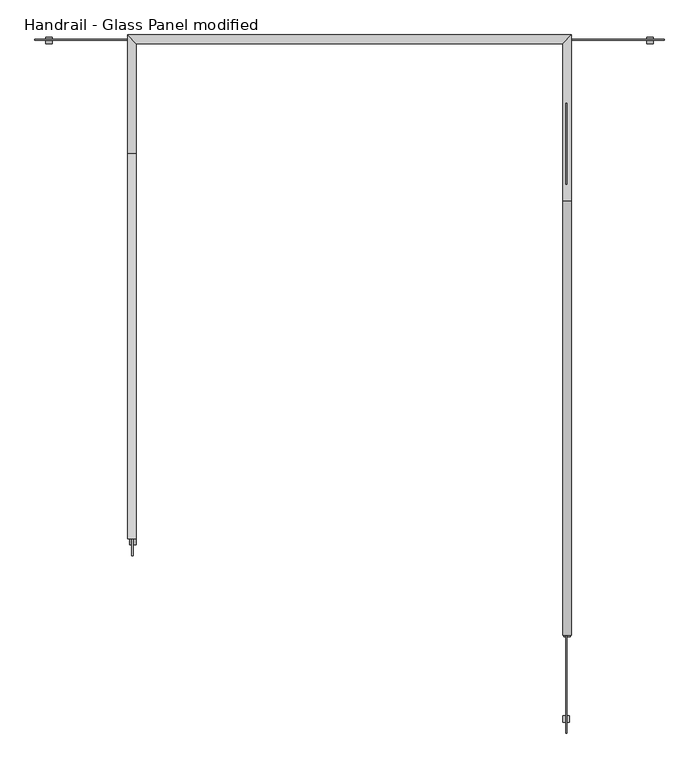
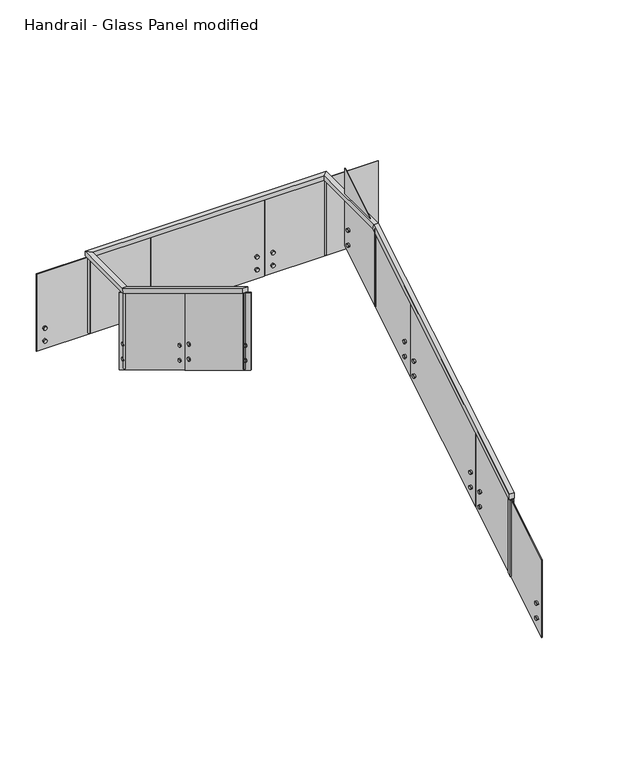
"""IFC4 building model written with IfcOpenShell, lengths in millimetres: railing geometry, Handrail - Glass Panel modified."""

from ifc_helpers import new_model, si_unit, point, frame, frame_2d, origin, place, context, project, spatial, polyline, circle_curve, ellipse_curve, trimmed, segment, composite_curve, outline, extrude, faceted_brep, source, transform, mapped, element, save
from ifc_brep_helpers import plane_surface, cylinder_surface, advanced_brep


def handrail_glass_panel_modified_6944e6a8(model_context):
    return source(origin(), model_context, "Body", "SolidModel", [
        faceted_brep([(-15213.5978678, -2131.266536, 1083.7333333), (-15264.3978678, -2131.266536, 1083.7333333), (-15264.3978678, -2131.266536, 1024.3318731), (-15213.5978678, -2131.266536, 1024.3318731), (-15213.5978678, 383.333464, 2607.7333333), (-15264.3978678, 383.333464, 2607.7333333), (-15264.3978678, 397.5258734, 2556.9333333), (-15213.5978678, 397.5258734, 2556.9333333), (-15213.5978678, 1348.533464, 2607.7333333), (-15264.3978678, 1297.733464, 2607.7333333), (-15264.3978678, 1297.733464, 2556.9333333), (-15213.5978678, 1348.533464, 2556.9333333), (-17790.2743809, 1348.533464, 2607.7333333), (-17739.4743809, 1297.733464, 2607.7333333), (-17739.4743809, 1297.733464, 2556.9333333), (-17790.2743809, 1348.533464, 2556.9333333), (-17790.2743809, 662.733464, 2607.7333333), (-17739.4743809, 662.733464, 2607.7333333), (-17739.4743809, 648.5410545, 2556.9333333), (-17790.2743809, 648.5410545, 2556.9333333), (-17790.2743809, -1572.466536, 3962.4), (-17790.2743809, -1572.466536, 3902.9985397), (-17739.4743809, -1572.466536, 3902.9985397), (-17739.4743809, -1572.466536, 3962.4)], [[[0, 1, 2, 3]], [[1, 0, 4, 5]], [[2, 1, 5, 6]], [[3, 2, 6, 7]], [[0, 3, 7, 4]], [[5, 4, 8, 9]], [[6, 5, 9, 10]], [[7, 6, 10, 11]], [[4, 7, 11, 8]], [[9, 8, 12, 13]], [[10, 9, 13, 14]], [[11, 10, 14, 15]], [[8, 11, 15, 12]], [[13, 12, 16, 17]], [[14, 13, 17, 18]], [[15, 14, 18, 19]], [[12, 15, 19, 16]], [[20, 21, 22, 23]], [[17, 16, 20, 23]], [[18, 17, 23, 22]], [[19, 18, 22, 21]], [[16, 19, 21, 20]]]),
        extrude(outline(polyline([(-458.041536, 3227.5894488), (-458.041536, 2351.5598558), (-1670.891536, 3086.6204619), (-1670.891536, 3962.6500549), (-458.041536, 3227.5894488)])), frame((-17764.8743809, 0.0, 0.0), z_axis=(1.0, 0.0, 0.0), x_axis=(0.0, 1.0, 0.0)), (0.0, 0.0, 1.0), 6.35),
        extrude(outline(composite_curve([segment(trimmed(circle_curve(frame_2d((-1588.5137778, 3318.0963831)), 19.05), [point((-1607.5637778, 3318.0963831))], [point((-1569.4637778, 3318.0963831))], False, "CARTESIAN"), True, "CONTINUOUS"), segment(trimmed(circle_curve(frame_2d((-1588.5137778, 3318.0963831)), 19.05), [point((-1569.4637778, 3318.0963831))], [point((-1607.5637778, 3318.0963831))], False, "CARTESIAN"), True, "CONTINUOUS")], self_intersect=False)), frame((-17777.5743809, 0.0, 0.0), z_axis=(1.0, 0.0, 0.0), x_axis=(0.0, 1.0, 0.0)), (0.0, 0.0, 1.0), 38.1),
        extrude(outline(composite_curve([segment(trimmed(circle_curve(frame_2d((-1588.5137778, 3148.6139456)), 19.05), [point((-1607.5637778, 3148.6139456))], [point((-1569.4637778, 3148.6139456))], False, "CARTESIAN"), True, "CONTINUOUS"), segment(trimmed(circle_curve(frame_2d((-1588.5137778, 3148.6139456)), 19.05), [point((-1569.4637778, 3148.6139456))], [point((-1607.5637778, 3148.6139456))], False, "CARTESIAN"), True, "CONTINUOUS")], self_intersect=False)), frame((-17777.5743809, 0.0, 0.0), z_axis=(1.0, 0.0, 0.0), x_axis=(0.0, 1.0, 0.0)), (0.0, 0.0, 1.0), 38.1),
        extrude(outline(composite_curve([segment(trimmed(circle_curve(frame_2d((-540.591536, 2696.4318846)), 19.05), [point((-521.541536, 2696.4318846))], [point((-559.641536, 2696.4318846))], False, "CARTESIAN"), True, "CONTINUOUS"), segment(trimmed(circle_curve(frame_2d((-540.591536, 2696.4318846)), 19.05), [point((-559.641536, 2696.4318846))], [point((-521.541536, 2696.4318846))], False, "CARTESIAN"), True, "CONTINUOUS")], self_intersect=False)), frame((-17777.5743809, 0.0, 0.0), z_axis=(1.0, 0.0, 0.0), x_axis=(0.0, 1.0, 0.0)), (0.0, 0.0, 1.0), 38.1),
        extrude(outline(composite_curve([segment(trimmed(circle_curve(frame_2d((-540.591536, 2526.9494471)), 19.05), [point((-521.541536, 2526.9494471))], [point((-559.641536, 2526.9494471))], False, "CARTESIAN"), True, "CONTINUOUS"), segment(trimmed(circle_curve(frame_2d((-540.591536, 2526.9494471)), 19.05), [point((-559.641536, 2526.9494471))], [point((-521.541536, 2526.9494471))], False, "CARTESIAN"), True, "CONTINUOUS")], self_intersect=False)), frame((-17777.5743809, 0.0, 0.0), z_axis=(1.0, 0.0, 0.0), x_axis=(0.0, 1.0, 0.0)), (0.0, 0.0, 1.0), 38.1),
        extrude(outline(polyline([(761.158464, 2488.6803579), (761.158464, 1612.6507649), (-451.691536, 2347.711371), (-451.691536, 3223.740964), (761.158464, 2488.6803579)])), frame((-17764.8743809, 0.0, 0.0), z_axis=(1.0, 0.0, 0.0), x_axis=(0.0, 1.0, 0.0)), (0.0, 0.0, 1.0), 6.35),
        extrude(outline(composite_curve([segment(trimmed(circle_curve(frame_2d((-369.3137778, 2579.1872922)), 19.05), [point((-388.3637778, 2579.1872922))], [point((-350.2637778, 2579.1872922))], False, "CARTESIAN"), True, "CONTINUOUS"), segment(trimmed(circle_curve(frame_2d((-369.3137778, 2579.1872922)), 19.05), [point((-350.2637778, 2579.1872922))], [point((-388.3637778, 2579.1872922))], False, "CARTESIAN"), True, "CONTINUOUS")], self_intersect=False)), frame((-17777.5743809, 0.0, 0.0), z_axis=(1.0, 0.0, 0.0), x_axis=(0.0, 1.0, 0.0)), (0.0, 0.0, 1.0), 38.1),
        extrude(outline(composite_curve([segment(trimmed(circle_curve(frame_2d((-369.3137778, 2409.7048546)), 19.05), [point((-388.3637778, 2409.7048546))], [point((-350.2637778, 2409.7048546))], False, "CARTESIAN"), True, "CONTINUOUS"), segment(trimmed(circle_curve(frame_2d((-369.3137778, 2409.7048546)), 19.05), [point((-350.2637778, 2409.7048546))], [point((-388.3637778, 2409.7048546))], False, "CARTESIAN"), True, "CONTINUOUS")], self_intersect=False)), frame((-17777.5743809, 0.0, 0.0), z_axis=(1.0, 0.0, 0.0), x_axis=(0.0, 1.0, 0.0)), (0.0, 0.0, 1.0), 38.1),
        extrude(outline(composite_curve([segment(trimmed(circle_curve(frame_2d((678.608464, 1957.5227937)), 19.05), [point((697.658464, 1957.5227937))], [point((659.558464, 1957.5227937))], False, "CARTESIAN"), True, "CONTINUOUS"), segment(trimmed(circle_curve(frame_2d((678.608464, 1957.5227937)), 19.05), [point((659.558464, 1957.5227937))], [point((697.658464, 1957.5227937))], False, "CARTESIAN"), True, "CONTINUOUS")], self_intersect=False)), frame((-17777.5743809, 0.0, 0.0), z_axis=(1.0, 0.0, 0.0), x_axis=(0.0, 1.0, 0.0)), (0.0, 0.0, 1.0), 38.1),
        extrude(outline(composite_curve([segment(trimmed(circle_curve(frame_2d((678.608464, 1788.0403562)), 19.05), [point((697.658464, 1788.0403562))], [point((659.558464, 1788.0403562))], False, "CARTESIAN"), True, "CONTINUOUS"), segment(trimmed(circle_curve(frame_2d((678.608464, 1788.0403562)), 19.05), [point((659.558464, 1788.0403562))], [point((697.658464, 1788.0403562))], False, "CARTESIAN"), True, "CONTINUOUS")], self_intersect=False)), frame((-17777.5743809, 0.0, 0.0), z_axis=(1.0, 0.0, 0.0), x_axis=(0.0, 1.0, 0.0)), (0.0, 0.0, 1.0), 38.1),
        extrude(outline(polyline([(-17114.7111244, 1316.783464), (-18327.5611244, 1316.783464), (-18327.5611244, 1323.133464), (-17114.7111244, 1323.133464), (-17114.7111244, 1316.783464)])), frame((0.0, 0.0, 1683.0303208), z_axis=(0.0, 0.0, 1.0), x_axis=(1.0, 0.0, 0.0)), (0.0, 0.0, 1.0), 873.9030125),
        extrude(outline(composite_curve([segment(trimmed(circle_curve(frame_2d((1923.6845602, -18245.1833661)), 19.05), [point((1923.6845602, -18264.2333661))], [point((1923.6845602, -18226.1333661))], False, "CARTESIAN"), True, "CONTINUOUS"), segment(trimmed(circle_curve(frame_2d((1923.6845602, -18245.1833661)), 19.05), [point((1923.6845602, -18226.1333661))], [point((1923.6845602, -18264.2333661))], False, "CARTESIAN"), True, "CONTINUOUS")], self_intersect=False)), frame((0.0, 1297.733464, 0.0), z_axis=(0.0, 1.0, 0.0), x_axis=(0.0, 0.0, 1.0)), (0.0, 0.0, 1.0), 38.1),
        extrude(outline(composite_curve([segment(trimmed(circle_curve(frame_2d((1778.7435471, -18245.1833661)), 19.05), [point((1778.7435471, -18264.2333661))], [point((1778.7435471, -18226.1333661))], False, "CARTESIAN"), True, "CONTINUOUS"), segment(trimmed(circle_curve(frame_2d((1778.7435471, -18245.1833661)), 19.05), [point((1778.7435471, -18226.1333661))], [point((1778.7435471, -18264.2333661))], False, "CARTESIAN"), True, "CONTINUOUS")], self_intersect=False)), frame((0.0, 1297.733464, 0.0), z_axis=(0.0, 1.0, 0.0), x_axis=(0.0, 0.0, 1.0)), (0.0, 0.0, 1.0), 38.1),
        extrude(outline(composite_curve([segment(trimmed(circle_curve(frame_2d((1935.1783253, -17197.2611244)), 19.05), [point((1935.1783253, -17178.2111244))], [point((1935.1783253, -17216.3111244))], False, "CARTESIAN"), True, "CONTINUOUS"), segment(trimmed(circle_curve(frame_2d((1935.1783253, -17197.2611244)), 19.05), [point((1935.1783253, -17216.3111244))], [point((1935.1783253, -17178.2111244))], False, "CARTESIAN"), True, "CONTINUOUS")], self_intersect=False)), frame((0.0, 1297.733464, 0.0), z_axis=(0.0, 1.0, 0.0), x_axis=(0.0, 0.0, 1.0)), (0.0, 0.0, 1.0), 38.1),
        extrude(outline(composite_curve([segment(trimmed(circle_curve(frame_2d((1790.2373123, -17197.2611244)), 19.05), [point((1790.2373123, -17178.2111244))], [point((1790.2373123, -17216.3111244))], False, "CARTESIAN"), True, "CONTINUOUS"), segment(trimmed(circle_curve(frame_2d((1790.2373123, -17197.2611244)), 19.05), [point((1790.2373123, -17216.3111244))], [point((1790.2373123, -17178.2111244))], False, "CARTESIAN"), True, "CONTINUOUS")], self_intersect=False)), frame((0.0, 1297.733464, 0.0), z_axis=(0.0, 1.0, 0.0), x_axis=(0.0, 0.0, 1.0)), (0.0, 0.0, 1.0), 38.1),
        extrude(outline(polyline([(-15895.5111244, 1316.783464), (-17108.3611244, 1316.783464), (-17108.3611244, 1323.133464), (-15895.5111244, 1323.133464), (-15895.5111244, 1316.783464)])), frame((0.0, 0.0, 1683.0303208), z_axis=(0.0, 0.0, 1.0), x_axis=(1.0, 0.0, 0.0)), (0.0, 0.0, 1.0), 873.9030125),
        extrude(outline(composite_curve([segment(trimmed(circle_curve(frame_2d((1923.6845602, -17025.9833661)), 19.05), [point((1923.6845602, -17045.0333661))], [point((1923.6845602, -17006.9333661))], False, "CARTESIAN"), True, "CONTINUOUS"), segment(trimmed(circle_curve(frame_2d((1923.6845602, -17025.9833661)), 19.05), [point((1923.6845602, -17006.9333661))], [point((1923.6845602, -17045.0333661))], False, "CARTESIAN"), True, "CONTINUOUS")], self_intersect=False)), frame((0.0, 1297.733464, 0.0), z_axis=(0.0, 1.0, 0.0), x_axis=(0.0, 0.0, 1.0)), (0.0, 0.0, 1.0), 38.1),
        extrude(outline(composite_curve([segment(trimmed(circle_curve(frame_2d((1778.7435471, -17025.9833661)), 19.05), [point((1778.7435471, -17045.0333661))], [point((1778.7435471, -17006.9333661))], False, "CARTESIAN"), True, "CONTINUOUS"), segment(trimmed(circle_curve(frame_2d((1778.7435471, -17025.9833661)), 19.05), [point((1778.7435471, -17006.9333661))], [point((1778.7435471, -17045.0333661))], False, "CARTESIAN"), True, "CONTINUOUS")], self_intersect=False)), frame((0.0, 1297.733464, 0.0), z_axis=(0.0, 1.0, 0.0), x_axis=(0.0, 0.0, 1.0)), (0.0, 0.0, 1.0), 38.1),
        extrude(outline(composite_curve([segment(trimmed(circle_curve(frame_2d((1935.1783253, -15978.0611244)), 19.05), [point((1935.1783253, -15959.0111244))], [point((1935.1783253, -15997.1111244))], False, "CARTESIAN"), True, "CONTINUOUS"), segment(trimmed(circle_curve(frame_2d((1935.1783253, -15978.0611244)), 19.05), [point((1935.1783253, -15997.1111244))], [point((1935.1783253, -15959.0111244))], False, "CARTESIAN"), True, "CONTINUOUS")], self_intersect=False)), frame((0.0, 1297.733464, 0.0), z_axis=(0.0, 1.0, 0.0), x_axis=(0.0, 0.0, 1.0)), (0.0, 0.0, 1.0), 38.1),
        extrude(outline(composite_curve([segment(trimmed(circle_curve(frame_2d((1790.2373123, -15978.0611244)), 19.05), [point((1790.2373123, -15959.0111244))], [point((1790.2373123, -15997.1111244))], False, "CARTESIAN"), True, "CONTINUOUS"), segment(trimmed(circle_curve(frame_2d((1790.2373123, -15978.0611244)), 19.05), [point((1790.2373123, -15997.1111244))], [point((1790.2373123, -15959.0111244))], False, "CARTESIAN"), True, "CONTINUOUS")], self_intersect=False)), frame((0.0, 1297.733464, 0.0), z_axis=(0.0, 1.0, 0.0), x_axis=(0.0, 0.0, 1.0)), (0.0, 0.0, 1.0), 38.1),
        extrude(outline(polyline([(-14676.3111244, 1316.783464), (-15889.1611244, 1316.783464), (-15889.1611244, 1323.133464), (-14676.3111244, 1323.133464), (-14676.3111244, 1316.783464)])), frame((0.0, 0.0, 1683.0303208), z_axis=(0.0, 0.0, 1.0), x_axis=(1.0, 0.0, 0.0)), (0.0, 0.0, 1.0), 873.9030125),
        extrude(outline(composite_curve([segment(trimmed(circle_curve(frame_2d((1923.6845602, -15806.7833661)), 19.05), [point((1923.6845602, -15825.8333661))], [point((1923.6845602, -15787.7333661))], False, "CARTESIAN"), True, "CONTINUOUS"), segment(trimmed(circle_curve(frame_2d((1923.6845602, -15806.7833661)), 19.05), [point((1923.6845602, -15787.7333661))], [point((1923.6845602, -15825.8333661))], False, "CARTESIAN"), True, "CONTINUOUS")], self_intersect=False)), frame((0.0, 1297.733464, 0.0), z_axis=(0.0, 1.0, 0.0), x_axis=(0.0, 0.0, 1.0)), (0.0, 0.0, 1.0), 38.1),
        extrude(outline(composite_curve([segment(trimmed(circle_curve(frame_2d((1778.7435471, -15806.7833661)), 19.05), [point((1778.7435471, -15825.8333661))], [point((1778.7435471, -15787.7333661))], False, "CARTESIAN"), True, "CONTINUOUS"), segment(trimmed(circle_curve(frame_2d((1778.7435471, -15806.7833661)), 19.05), [point((1778.7435471, -15787.7333661))], [point((1778.7435471, -15825.8333661))], False, "CARTESIAN"), True, "CONTINUOUS")], self_intersect=False)), frame((0.0, 1297.733464, 0.0), z_axis=(0.0, 1.0, 0.0), x_axis=(0.0, 0.0, 1.0)), (0.0, 0.0, 1.0), 38.1),
        extrude(outline(composite_curve([segment(trimmed(circle_curve(frame_2d((1935.1783253, -14758.8611244)), 19.05), [point((1935.1783253, -14739.8111244))], [point((1935.1783253, -14777.9111244))], False, "CARTESIAN"), True, "CONTINUOUS"), segment(trimmed(circle_curve(frame_2d((1935.1783253, -14758.8611244)), 19.05), [point((1935.1783253, -14777.9111244))], [point((1935.1783253, -14739.8111244))], False, "CARTESIAN"), True, "CONTINUOUS")], self_intersect=False)), frame((0.0, 1297.733464, 0.0), z_axis=(0.0, 1.0, 0.0), x_axis=(0.0, 0.0, 1.0)), (0.0, 0.0, 1.0), 38.1),
        extrude(outline(composite_curve([segment(trimmed(circle_curve(frame_2d((1790.2373123, -14758.8611244)), 19.05), [point((1790.2373123, -14739.8111244))], [point((1790.2373123, -14777.9111244))], False, "CARTESIAN"), True, "CONTINUOUS"), segment(trimmed(circle_curve(frame_2d((1790.2373123, -14758.8611244)), 19.05), [point((1790.2373123, -14777.9111244))], [point((1790.2373123, -14739.8111244))], False, "CARTESIAN"), True, "CONTINUOUS")], self_intersect=False)), frame((0.0, 1297.733464, 0.0), z_axis=(0.0, 1.0, 0.0), x_axis=(0.0, 0.0, 1.0)), (0.0, 0.0, 1.0), 38.1),
        extrude(outline(polyline([(-261.191536, 2157.710661), (951.658464, 2892.771267), (951.658464, 2016.741674), (-261.191536, 1281.681068), (-261.191536, 2157.710661)])), frame((-15245.3478678, 0.0, 0.0), z_axis=(1.0, 0.0, 0.0), x_axis=(0.0, 1.0, 0.0)), (0.0, 0.0, 1.0), 6.35),
        extrude(outline(composite_curve([segment(trimmed(circle_curve(frame_2d((869.2807057, 2248.2175952)), 19.05), [point((888.3307057, 2248.2175952))], [point((850.2307057, 2248.2175952))], False, "CARTESIAN"), True, "CONTINUOUS"), segment(trimmed(circle_curve(frame_2d((869.2807057, 2248.2175952)), 19.05), [point((850.2307057, 2248.2175952))], [point((888.3307057, 2248.2175952))], False, "CARTESIAN"), True, "CONTINUOUS")], self_intersect=False)), frame((-15264.3978678, 0.0, 0.0), z_axis=(1.0, 0.0, 0.0), x_axis=(0.0, 1.0, 0.0)), (0.0, 0.0, 1.0), 38.1),
        extrude(outline(composite_curve([segment(trimmed(circle_curve(frame_2d((869.2807057, 2078.7351577)), 19.05), [point((888.3307057, 2078.7351577))], [point((850.2307057, 2078.7351577))], False, "CARTESIAN"), True, "CONTINUOUS"), segment(trimmed(circle_curve(frame_2d((869.2807057, 2078.7351577)), 19.05), [point((850.2307057, 2078.7351577))], [point((888.3307057, 2078.7351577))], False, "CARTESIAN"), True, "CONTINUOUS")], self_intersect=False)), frame((-15264.3978678, 0.0, 0.0), z_axis=(1.0, 0.0, 0.0), x_axis=(0.0, 1.0, 0.0)), (0.0, 0.0, 1.0), 38.1),
        extrude(outline(composite_curve([segment(trimmed(circle_curve(frame_2d((-178.641536, 1626.5530968)), 19.05), [point((-197.691536, 1626.5530968))], [point((-159.591536, 1626.5530968))], False, "CARTESIAN"), True, "CONTINUOUS"), segment(trimmed(circle_curve(frame_2d((-178.641536, 1626.5530968)), 19.05), [point((-159.591536, 1626.5530968))], [point((-197.691536, 1626.5530968))], False, "CARTESIAN"), True, "CONTINUOUS")], self_intersect=False)), frame((-15264.3978678, 0.0, 0.0), z_axis=(1.0, 0.0, 0.0), x_axis=(0.0, 1.0, 0.0)), (0.0, 0.0, 1.0), 38.1),
        extrude(outline(composite_curve([segment(trimmed(circle_curve(frame_2d((-178.641536, 1457.0706592)), 19.05), [point((-197.691536, 1457.0706592))], [point((-159.591536, 1457.0706592))], False, "CARTESIAN"), True, "CONTINUOUS"), segment(trimmed(circle_curve(frame_2d((-178.641536, 1457.0706592)), 19.05), [point((-159.591536, 1457.0706592))], [point((-197.691536, 1457.0706592))], False, "CARTESIAN"), True, "CONTINUOUS")], self_intersect=False)), frame((-15264.3978678, 0.0, 0.0), z_axis=(1.0, 0.0, 0.0), x_axis=(0.0, 1.0, 0.0)), (0.0, 0.0, 1.0), 38.1),
        extrude(outline(polyline([(-1480.391536, 1418.80157), (-267.541536, 2153.8621761), (-267.541536, 1277.8325831), (-1480.391536, 542.7719771), (-1480.391536, 1418.80157)])), frame((-15245.3478678, 0.0, 0.0), z_axis=(1.0, 0.0, 0.0), x_axis=(0.0, 1.0, 0.0)), (0.0, 0.0, 1.0), 6.35),
        extrude(outline(composite_curve([segment(trimmed(circle_curve(frame_2d((-349.9192943, 1509.3085043)), 19.05), [point((-330.8692943, 1509.3085043))], [point((-368.9692943, 1509.3085043))], False, "CARTESIAN"), True, "CONTINUOUS"), segment(trimmed(circle_curve(frame_2d((-349.9192943, 1509.3085043)), 19.05), [point((-368.9692943, 1509.3085043))], [point((-330.8692943, 1509.3085043))], False, "CARTESIAN"), True, "CONTINUOUS")], self_intersect=False)), frame((-15264.3978678, 0.0, 0.0), z_axis=(1.0, 0.0, 0.0), x_axis=(0.0, 1.0, 0.0)), (0.0, 0.0, 1.0), 38.1),
        extrude(outline(composite_curve([segment(trimmed(circle_curve(frame_2d((-349.9192943, 1339.8260668)), 19.05), [point((-330.8692943, 1339.8260668))], [point((-368.9692943, 1339.8260668))], False, "CARTESIAN"), True, "CONTINUOUS"), segment(trimmed(circle_curve(frame_2d((-349.9192943, 1339.8260668)), 19.05), [point((-368.9692943, 1339.8260668))], [point((-330.8692943, 1339.8260668))], False, "CARTESIAN"), True, "CONTINUOUS")], self_intersect=False)), frame((-15264.3978678, 0.0, 0.0), z_axis=(1.0, 0.0, 0.0), x_axis=(0.0, 1.0, 0.0)), (0.0, 0.0, 1.0), 38.1),
        extrude(outline(composite_curve([segment(trimmed(circle_curve(frame_2d((-1397.841536, 887.6440059)), 19.05), [point((-1416.891536, 887.6440059))], [point((-1378.791536, 887.6440059))], False, "CARTESIAN"), True, "CONTINUOUS"), segment(trimmed(circle_curve(frame_2d((-1397.841536, 887.6440059)), 19.05), [point((-1378.791536, 887.6440059))], [point((-1416.891536, 887.6440059))], False, "CARTESIAN"), True, "CONTINUOUS")], self_intersect=False)), frame((-15264.3978678, 0.0, 0.0), z_axis=(1.0, 0.0, 0.0), x_axis=(0.0, 1.0, 0.0)), (0.0, 0.0, 1.0), 38.1),
        extrude(outline(composite_curve([segment(trimmed(circle_curve(frame_2d((-1397.841536, 718.1615683)), 19.05), [point((-1416.891536, 718.1615683))], [point((-1378.791536, 718.1615683))], False, "CARTESIAN"), True, "CONTINUOUS"), segment(trimmed(circle_curve(frame_2d((-1397.841536, 718.1615683)), 19.05), [point((-1378.791536, 718.1615683))], [point((-1416.891536, 718.1615683))], False, "CARTESIAN"), True, "CONTINUOUS")], self_intersect=False)), frame((-15264.3978678, 0.0, 0.0), z_axis=(1.0, 0.0, 0.0), x_axis=(0.0, 1.0, 0.0)), (0.0, 0.0, 1.0), 38.1),
        extrude(outline(polyline([(-2699.591536, 679.8924791), (-1486.741536, 1414.9530852), (-1486.741536, 538.9234922), (-2699.591536, -196.1371139), (-2699.591536, 679.8924791)])), frame((-15245.3478678, 0.0, 0.0), z_axis=(1.0, 0.0, 0.0), x_axis=(0.0, 1.0, 0.0)), (0.0, 0.0, 1.0), 6.35),
        extrude(outline(composite_curve([segment(trimmed(circle_curve(frame_2d((-1569.1192943, 770.3994134)), 19.05), [point((-1550.0692943, 770.3994134))], [point((-1588.1692943, 770.3994134))], False, "CARTESIAN"), True, "CONTINUOUS"), segment(trimmed(circle_curve(frame_2d((-1569.1192943, 770.3994134)), 19.05), [point((-1588.1692943, 770.3994134))], [point((-1550.0692943, 770.3994134))], False, "CARTESIAN"), True, "CONTINUOUS")], self_intersect=False)), frame((-15264.3978678, 0.0, 0.0), z_axis=(1.0, 0.0, 0.0), x_axis=(0.0, 1.0, 0.0)), (0.0, 0.0, 1.0), 38.1),
        extrude(outline(composite_curve([segment(trimmed(circle_curve(frame_2d((-1569.1192943, 600.9169759)), 19.05), [point((-1550.0692943, 600.9169759))], [point((-1588.1692943, 600.9169759))], False, "CARTESIAN"), True, "CONTINUOUS"), segment(trimmed(circle_curve(frame_2d((-1569.1192943, 600.9169759)), 19.05), [point((-1588.1692943, 600.9169759))], [point((-1550.0692943, 600.9169759))], False, "CARTESIAN"), True, "CONTINUOUS")], self_intersect=False)), frame((-15264.3978678, 0.0, 0.0), z_axis=(1.0, 0.0, 0.0), x_axis=(0.0, 1.0, 0.0)), (0.0, 0.0, 1.0), 38.1),
        extrude(outline(composite_curve([segment(trimmed(circle_curve(frame_2d((-2617.041536, 148.7349149)), 19.05), [point((-2636.091536, 148.7349149))], [point((-2597.991536, 148.7349149))], False, "CARTESIAN"), True, "CONTINUOUS"), segment(trimmed(circle_curve(frame_2d((-2617.041536, 148.7349149)), 19.05), [point((-2597.991536, 148.7349149))], [point((-2636.091536, 148.7349149))], False, "CARTESIAN"), True, "CONTINUOUS")], self_intersect=False)), frame((-15264.3978678, 0.0, 0.0), z_axis=(1.0, 0.0, 0.0), x_axis=(0.0, 1.0, 0.0)), (0.0, 0.0, 1.0), 38.1),
        extrude(outline(composite_curve([segment(trimmed(circle_curve(frame_2d((-2617.041536, -20.7475226)), 19.05), [point((-2636.091536, -20.7475226))], [point((-2597.991536, -20.7475226))], False, "CARTESIAN"), True, "CONTINUOUS"), segment(trimmed(circle_curve(frame_2d((-2617.041536, -20.7475226)), 19.05), [point((-2597.991536, -20.7475226))], [point((-2636.091536, -20.7475226))], False, "CARTESIAN"), True, "CONTINUOUS")], self_intersect=False)), frame((-15264.3978678, 0.0, 0.0), z_axis=(1.0, 0.0, 0.0), x_axis=(0.0, 1.0, 0.0)), (0.0, 0.0, 1.0), 38.1),
        extrude(outline(composite_curve([segment(trimmed(circle_curve(frame_2d((-17764.8743809, 662.733464)), 12.7), [point((-17752.1743809, 662.733464))], [point((-17777.5743809, 662.733464))], False, "CARTESIAN"), True, "CONTINUOUS"), segment(trimmed(circle_curve(frame_2d((-17764.8743809, 662.733464)), 12.7), [point((-17777.5743809, 662.733464))], [point((-17752.1743809, 662.733464))], False, "CARTESIAN"), True, "CONTINUOUS")], self_intersect=False)), frame((0.0, 0.0, 1695.7303208), z_axis=(0.0, 0.0, 1.0), x_axis=(1.0, 0.0, 0.0)), (0.0, 0.0, 1.0), 861.2030125),
        extrude(outline(composite_curve([segment(trimmed(circle_curve(frame_2d((-17764.8743809, 1323.133464)), 12.7), [point((-17764.8743809, 1310.433464))], [point((-17764.8743809, 1335.833464))], False, "CARTESIAN"), True, "CONTINUOUS"), segment(trimmed(circle_curve(frame_2d((-17764.8743809, 1323.133464)), 12.7), [point((-17764.8743809, 1335.833464))], [point((-17764.8743809, 1310.433464))], False, "CARTESIAN"), True, "CONTINUOUS")], self_intersect=False)), frame((0.0, 0.0, 1695.7303208), z_axis=(0.0, 0.0, 1.0), x_axis=(1.0, 0.0, 0.0)), (0.0, 0.0, 1.0), 861.2030125),
        extrude(outline(composite_curve([segment(trimmed(circle_curve(frame_2d((-15238.9978678, 1323.133464)), 12.7), [point((-15251.6978678, 1323.133464))], [point((-15226.2978678, 1323.133464))], False, "CARTESIAN"), True, "CONTINUOUS"), segment(trimmed(circle_curve(frame_2d((-15238.9978678, 1323.133464)), 12.7), [point((-15226.2978678, 1323.133464))], [point((-15251.6978678, 1323.133464))], False, "CARTESIAN"), True, "CONTINUOUS")], self_intersect=False)), frame((0.0, 0.0, 1695.7303208), z_axis=(0.0, 0.0, 1.0), x_axis=(1.0, 0.0, 0.0)), (0.0, 0.0, 1.0), 861.2030125),
        advanced_brep(
        [(-15226.2978678, 383.333464, 2548.3318731), (-15226.2978678, 383.333464, 1685.0022801), (-15251.6978678, 383.333464, 1685.0022801), (-15251.6978678, 383.333464, 2548.3318731)],
        [
            (0, 1),
            (1, 2, ellipse_curve(frame((-15238.9978678, 383.333464, 1685.0022801), z_axis=(0.0, -0.5183017160933441, 0.855197831554018), x_axis=(0.0, 0.855197831554018, 0.5183017160933441)), 14.8503651, 12.7)),
            (2, 3),
            (3, 0, ellipse_curve(frame((-15238.9978678, 383.333464, 2548.3318731), z_axis=(0.0, 0.5183017160933433, -0.8551978315540185), x_axis=(0.0, 0.8551978315540185, 0.5183017160933432)), 14.8503651, 12.7)),
            (0, 3, ellipse_curve(frame((-15238.9978678, 383.333464, 2548.3318731), z_axis=(0.0, 0.5183017160933433, -0.8551978315540185), x_axis=(0.0, 0.8551978315540185, 0.5183017160933432)), 14.8503651, 12.7)),
            (2, 1, ellipse_curve(frame((-15238.9978678, 383.333464, 1685.0022801), z_axis=(0.0, -0.5183017160933441, 0.855197831554018), x_axis=(0.0, 0.855197831554018, 0.5183017160933441)), 14.8503651, 12.7)),
        ],
        [
            cylinder_surface(frame((-15238.9978678, 383.333464, 1456.4022801), z_axis=(0.0, 0.0, 1.0), x_axis=(-1.0, 0.0, 0.0)), 12.7),
            plane_surface(frame((-15264.3978678, 408.733464, 2563.7258125), z_axis=(0.0, -0.5183017160933433, 0.8551978315540185), x_axis=(1.0, 0.0, 0.0))),
            plane_surface(frame((-15264.3978678, 357.933464, 1669.6083407), z_axis=(0.0, 0.5183017160933441, -0.855197831554018), x_axis=(1.0, 0.0, 0.0))),
        ],
        [
            (0, [[1, 2, 3, 4]]),
            (0, [[-1, 5, -3, 6]]),
            (1, [[-4, -5]]),
            (2, [[-2, -6]]),
        ],
    ),
        advanced_brep(
        [(-17777.5743809, -1562.941536, 3897.2258125), (-17777.5743809, -1562.941536, 3033.8962195), (-17752.1743809, -1562.941536, 3033.8962195), (-17752.1743809, -1562.941536, 3897.2258125)],
        [
            (0, 1),
            (1, 2, ellipse_curve(frame((-17764.8743809, -1562.941536, 3033.8962195), z_axis=(0.0, 0.5183017160933441, 0.855197831554018), x_axis=(0.0, -0.855197831554018, 0.5183017160933441)), 14.8503651, 12.7)),
            (2, 3),
            (3, 0, ellipse_curve(frame((-17764.8743809, -1562.941536, 3897.2258125), z_axis=(0.0, -0.5183017160933433, -0.8551978315540185), x_axis=(0.0, -0.8551978315540185, 0.5183017160933432)), 14.8503651, 12.7)),
            (0, 3, ellipse_curve(frame((-17764.8743809, -1562.941536, 3897.2258125), z_axis=(0.0, -0.5183017160933433, -0.8551978315540185), x_axis=(0.0, -0.8551978315540185, 0.5183017160933432)), 14.8503651, 12.7)),
            (2, 1, ellipse_curve(frame((-17764.8743809, -1562.941536, 3033.8962195), z_axis=(0.0, 0.5183017160933441, 0.855197831554018), x_axis=(0.0, -0.855197831554018, 0.5183017160933441)), 14.8503651, 12.7)),
        ],
        [
            cylinder_surface(frame((-17764.8743809, -1562.941536, 2805.2962195), z_axis=(0.0, 0.0, 1.0), x_axis=(1.0, 0.0, 0.0)), 12.7),
            plane_surface(frame((-17739.4743809, -1588.341536, 3912.6197519), z_axis=(0.0, 0.5183017160933433, 0.8551978315540185), x_axis=(-1.0, 0.0, 0.0))),
            plane_surface(frame((-17739.4743809, -1537.541536, 3018.5022801), z_axis=(0.0, -0.5183017160933441, -0.855197831554018), x_axis=(-1.0, 0.0, 0.0))),
        ],
        [
            (0, [[1, 2, 3, 4]]),
            (0, [[-1, 5, -3, 6]]),
            (1, [[-4, -5]]),
            (2, [[-2, -6]]),
        ],
    ),
        extrude(outline(polyline([(-2140.791536, 1018.5591458), (-2102.691536, 1041.6500549), (-2102.691536, 178.3204619), (-2140.791536, 155.2295528), (-2140.791536, 1018.5591458)])), frame((-15258.0478678, 0.0, 0.0), z_axis=(1.0, 0.0, 0.0), x_axis=(0.0, 1.0, 0.0)), (0.0, 0.0, 1.0), 38.1),
    ])


if __name__ == "__main__":
    model = new_model("IFC4")
    model_context = context("Model", 3, world=origin())
    ifc_project = project(units=[si_unit("LENGTHUNIT", "METRE", prefix="MILLI")], contexts=[model_context])
    site = spatial("IfcSite", under=ifc_project)
    building = spatial("IfcBuilding", under=site)
    placement = place(None, origin())
    handrail_glass_panel_modified_shape = handrail_glass_panel_modified_6944e6a8(model_context)
    element("IfcRailing", 1, ObjectType="Handrail - Glass Panel modified", at=placement, inside=building, context=model_context, shape_type="MappedRepresentation", body=[
        mapped(handrail_glass_panel_modified_shape, transform((0.0, 0.0, 0.0), x_axis=(1.0, 0.0, 0.0), y_axis=(0.0, 1.0, 0.0), z_axis=(0.0, 0.0, 1.0))),
    ])
    save(model, "model.ifc")
